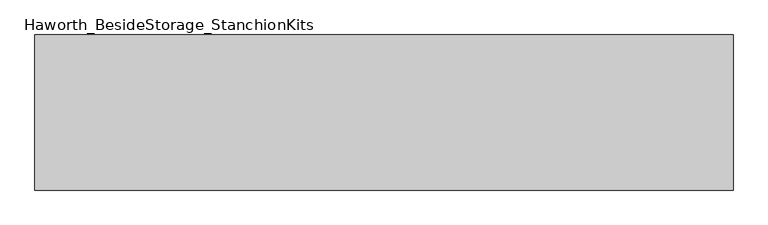
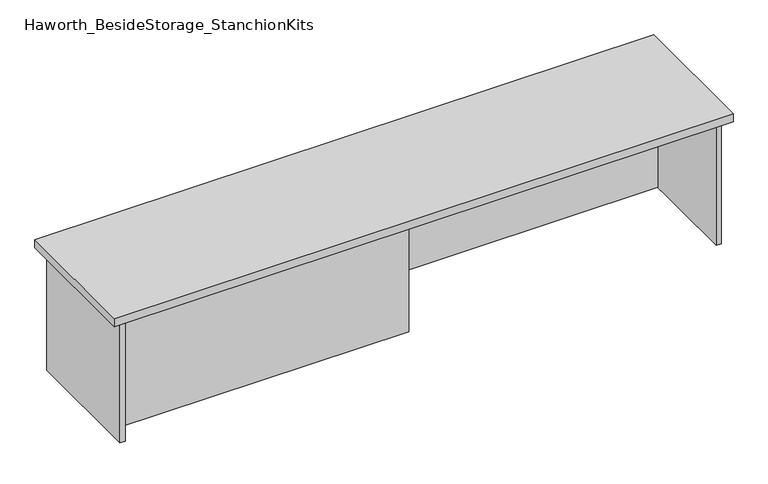
"""IFC4 building model written with IfcOpenShell, lengths in millimetres: furniture geometry, Haworth_BesideStorage_StanchionKits."""

from ifc_helpers import new_model, si_unit, frame, origin, place, context, project, spatial, polyline, outline, extrude, source, transform, mapped, element, save


def haworth_besidestorage_stanchionkits_2897351e(model_context):
    return source(origin(), model_context, "Body", "SweptSolid", [
        extrude(outline(polyline([(1076.325, 0.0), (1076.325, -406.4), (-752.475, -406.4), (-752.475, 0.0), (1076.325, 0.0)])), frame((0.0, 0.0, 812.8), z_axis=(0.0, 0.0, 1.0), x_axis=(1.0, 0.0, 0.0)), (0.0, 0.0, 1.0), 25.4),
        extrude(outline(polyline([(161.925, -76.2), (1035.05, -76.2), (1035.05, -92.075), (161.925, -92.075), (161.925, -76.2)])), frame((0.0, 0.0, 431.8), z_axis=(0.0, 0.0, 1.0), x_axis=(1.0, 0.0, 0.0)), (0.0, 0.0, 1.0), 381.0),
        extrude(outline(polyline([(161.925, -314.325), (161.925, -330.2), (-711.2, -330.2), (-711.2, -314.325), (161.925, -314.325)])), frame((0.0, 0.0, 431.8), z_axis=(0.0, 0.0, 1.0), x_axis=(1.0, 0.0, 0.0)), (0.0, 0.0, 1.0), 381.0),
        extrude(outline(polyline([(1050.925, -390.525), (1035.05, -390.525), (1035.05, -15.875), (1050.925, -15.875), (1050.925, -390.525)])), frame((0.0, 0.0, 431.8), z_axis=(0.0, 0.0, 1.0), x_axis=(1.0, 0.0, 0.0)), (0.0, 0.0, 1.0), 381.0),
        extrude(outline(polyline([(-711.2, -390.525), (-727.075, -390.525), (-727.075, -15.875), (-711.2, -15.875), (-711.2, -390.525)])), frame((0.0, 0.0, 431.8), z_axis=(0.0, 0.0, 1.0), x_axis=(1.0, 0.0, 0.0)), (0.0, 0.0, 1.0), 381.0),
    ])


if __name__ == "__main__":
    model = new_model("IFC4")
    model_context = context("Model", 3, world=origin())
    ifc_project = project(units=[si_unit("LENGTHUNIT", "METRE", prefix="MILLI")], contexts=[model_context])
    site = spatial("IfcSite", under=ifc_project)
    building = spatial("IfcBuilding", under=site)
    placement = place(None, origin())
    haworth_besidestorage_stanchionkits_shape = haworth_besidestorage_stanchionkits_2897351e(model_context)
    element("IfcFurniture", 1, ObjectType="Haworth_BesideStorage_StanchionKits", at=placement, inside=building, context=model_context, shape_type="MappedRepresentation", body=[
        mapped(haworth_besidestorage_stanchionkits_shape, transform((0.0, 0.0, 0.0), x_axis=(1.0, 0.0, 0.0), y_axis=(0.0, 1.0, 0.0), z_axis=(0.0, 0.0, 1.0))),
    ])
    save(model, "model.ifc")
